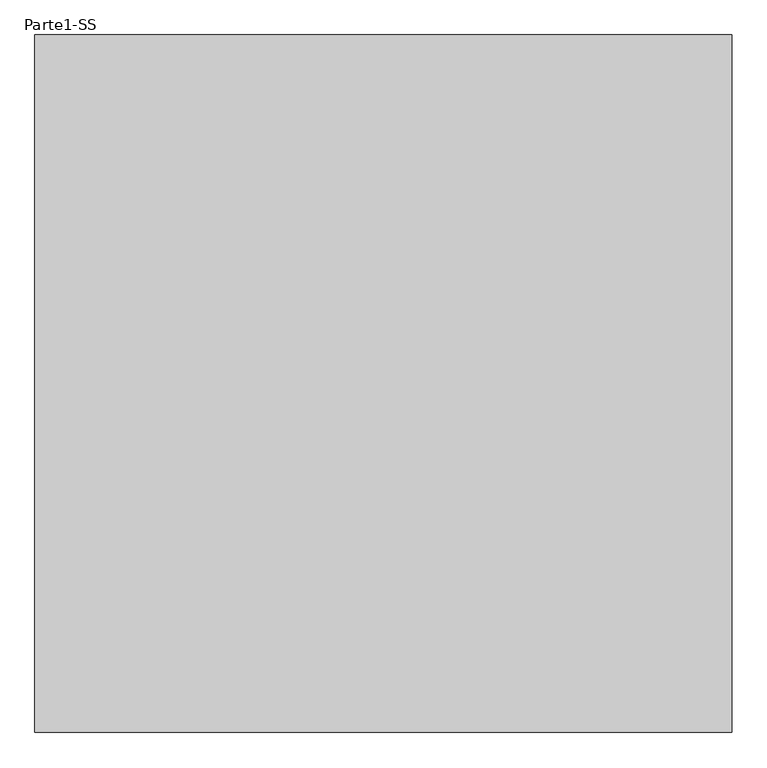
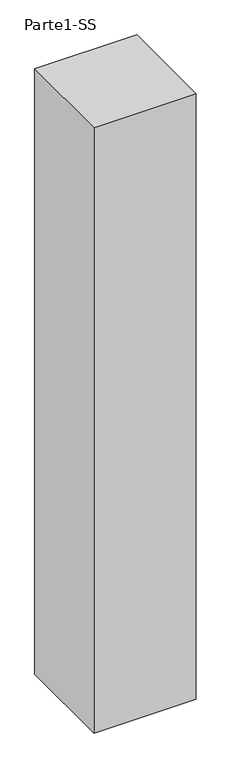
"""IFC4 building model written with IfcOpenShell, lengths in millimetres: proxy geometry, Parte1-SS."""

from ifc_helpers import new_model, si_unit, frame, origin, place, context, project, spatial, polyline, outline, extrude, source, transform, mapped, element, save


def parte1_ss_b65bba72(model_context):
    return source(origin(), model_context, "Body", "SweptSolid", [
        extrude(outline(polyline([(4000.0, 4000.0), (4000.0, 0.0), (0.0, 0.0), (0.0, 4000.0), (4000.0, 4000.0)])), frame((0.0, 0.0, 10000.0), z_axis=(0.0, 0.0, 1.0), x_axis=(1.0, 0.0, 0.0)), (0.0, 0.0, 1.0), 25000.0),
    ])


if __name__ == "__main__":
    model = new_model("IFC4")
    model_context = context("Model", 3, world=origin())
    ifc_project = project(units=[si_unit("LENGTHUNIT", "METRE", prefix="MILLI")], contexts=[model_context])
    site = spatial("IfcSite", under=ifc_project)
    building = spatial("IfcBuilding", under=site)
    placement = place(None, origin())
    parte1_ss_shape = parte1_ss_b65bba72(model_context)
    element("IfcBuildingElementProxy", 1, Name="Parte1-SS", ObjectType="Parte1-SS", at=placement, inside=building, context=model_context, shape_type="MappedRepresentation", body=[
        mapped(parte1_ss_shape, transform((0.0, 0.0, 0.0), x_axis=(1.0, 0.0, 0.0), y_axis=(0.0, 1.0, 0.0), z_axis=(0.0, 0.0, 1.0))),
    ])
    save(model, "model.ifc")
